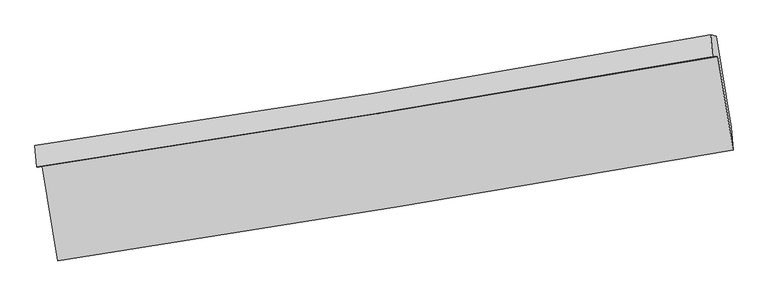
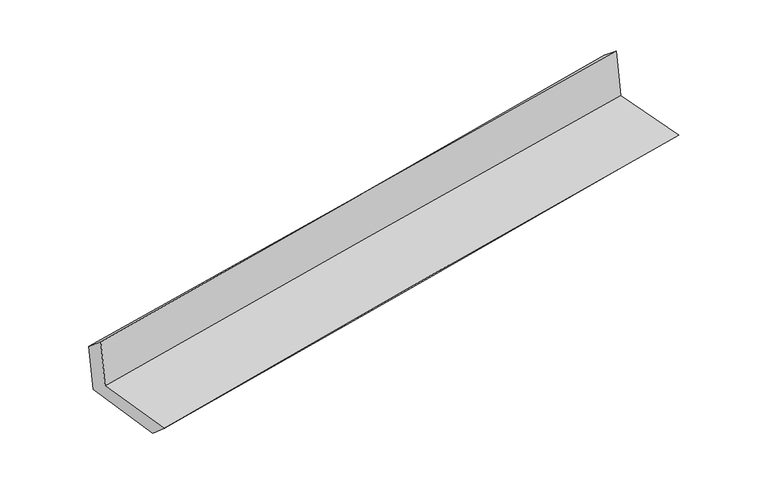
"""IFC4 building model written with IfcOpenShell, lengths in millimetres: proxy geometry."""

from ifc_helpers import new_model, si_unit, frame, origin, place, context, project, spatial, source, transform, mapped, element, save
from ifc_brep_helpers import plane_surface, spline_curve, spline_surface, advanced_brep


def generic_models_d81ad6ef(model_context):
    return source(origin(), model_context, "Body", "AdvancedBrep", [
        advanced_brep(
        [(-2368.593412, -1883.4839037, 1676.1073425), (-2260.0018265, -2539.2136418, 1665.6086122), (2417.6245771, -1768.5698692, 2112.8336546), (2312.3863151, -1121.2670091, 2103.283223), (-2405.3454421, -1888.0805792, 2075.69591), (2275.1768227, -1123.0356443, 2502.8165564), (-2418.1667298, -1739.6408341, 1952.7726177), (2261.825484, -970.5403011, 2378.6668034), (-2381.4711703, -1741.1699, 1564.4954264), (2299.3038813, -979.4098389, 1994.8526819), (-2272.1538036, -2394.8986727, 1542.7659777), (2405.6315353, -1611.7963975, 1966.7384835)],
        [
            (0, 1),
            (1, 2, spline_curve(3, [(-2260.0018265, -2539.2136418, 1665.6086122), (-1477.191655284, -2418.015205899, 1754.851728744), (-694.349692869, -2292.910067194, 1836.868141343), (864.859637298, -2035.96382842, 1985.822951896), (1641.226476051, -1904.187709537, 2052.881553387), (2417.6245771, -1768.5698692, 2112.8336546)], [4, 2, 4], [0.0, 7.844416099933582, 15.623319484503671])),
            (2, 3),
            (3, 0, spline_curve(3, [(2312.3863151, -1121.2670091, 2103.283223), (1535.657958893, -1255.521671296, 2044.310484945), (758.848195389, -1385.916979945, 1979.400399252), (-801.477003292, -1640.05455781, 1837.108867278), (-1584.993815617, -1763.731546946, 1759.626992636), (-2368.593412, -1883.4839037, 1676.1073425)], [4, 2, 4], [0.0, 7.778903384570089, 15.623319484503671])),
            (4, 0),
            (3, 5),
            (5, 4, spline_curve(3, [(2275.1768227, -1123.0356443, 2502.8165564), (1498.480567838, -1258.902200158, 2446.315894164), (721.724724845, -1390.340533413, 2382.651594004), (-838.448355475, -1645.430413196, 2240.399215306), (-1621.866601016, -1769.007058626, 2161.689966686), (-2405.3454421, -1888.0805792, 2075.69591)], [4, 2, 4], [0.0, 7.779020021870473, 15.623553741405654])),
            (6, 4),
            (5, 7),
            (7, 6, spline_curve(3, [(2261.825484, -970.5403011, 2378.6668034), (1487.196040662, -1111.650727079, 2309.273611078), (711.521738228, -1246.057127961, 2239.237364562), (-848.457993095, -1502.537368399, 2097.283512952), (-1632.781095213, -1624.497811987, 2025.355031027), (-2418.1667298, -1739.6408341, 1952.7726177)], [4, 2, 4], [0.0, 7.778952269350278, 15.62341766576407])),
            (8, 6),
            (7, 9),
            (9, 8, spline_curve(3, [(2299.3038813, -979.4098389, 1994.8526819), (1524.893121399, -1116.880683325, 1916.774882835), (749.263928727, -1248.85307555, 1842.009314569), (-810.973812498, -1502.866100321, 1698.50087113), (-1595.602970362, -1624.81372814, 1629.814020824), (-2381.4711703, -1741.1699, 1564.4954264)], [4, 2, 4], [0.0, 7.778921714555128, 15.623356298846033])),
            (10, 8),
            (9, 11),
            (11, 10, spline_curve(3, [(2405.6315353, -1611.7963975, 1966.7384835), (1630.861095371, -1753.150658766, 1899.431606458), (855.2983661, -1888.83653537, 1830.601691501), (-703.950012411, -2149.966505538, 1689.303284665), (-1487.649062747, -2275.314721, 1616.809030859), (-2272.1538036, -2394.8986727, 1542.7659777)], [4, 2, 4], [0.0, 7.778810339784726, 15.623132611324221])),
            (1, 10),
            (11, 2),
        ],
        [
            spline_surface(3, 3, [[(-2368.593412, -1883.4839037, 1676.1073425), (-1584.993815486, -1763.731547071, 1759.626992606), (-801.477003314, -1640.054557716, 1837.108867154), (758.848195411, -1385.916980038, 1979.400399375), (1535.657958938, -1255.521671189, 2044.310484971), (2312.3863151, -1121.2670091, 2103.283223)], [(-2332.396216842, -2102.060483075, 1672.607765758), (-1549.059762087, -1981.826099992, 1758.035238015), (-765.767899784, -1857.673060864, 1837.028625227), (794.185342695, -1602.59926282, 1981.541250168), (1570.847464589, -1471.743683966, 2047.167507744), (2347.465735752, -1337.034629141, 2106.466700189)], [(-2296.199021658, -2320.637062425, 1669.108188942), (-1513.125708662, -2199.920652888, 1756.44348335), (-730.058796309, -2075.291564047, 1836.948383357), (829.522489924, -1819.281545637, 1983.682101018), (1606.036970285, -1687.965696721, 2050.024530551), (2382.545156448, -1552.802249159, 2109.650177411)], [(-2260.0018265, -2539.2136418, 1665.6086122), (-1477.191655263, -2418.01520581, 1754.851728759), (-694.349692779, -2292.910067195, 1836.868141429), (864.859637208, -2035.963828419, 1985.822951811), (1641.226475936, -1904.187709498, 2052.881553324), (2417.6245771, -1768.5698692, 2112.8336546)]], [4, 4], [4, 2, 4], [0.0, 2.1657802926878276], [0.0, 7.844416099933582, 15.623319484503671]),
            spline_surface(3, 3, [[(-2405.3454421, -1888.0805792, 2075.69591), (-1621.866600907, -1769.007058514, 2161.689966785), (-838.448355485, -1645.430413288, 2240.399215353), (721.724724854, -1390.340533322, 2382.651593958), (1498.480567741, -1258.902200197, 2446.315894196), (2275.1768227, -1123.0356443, 2502.8165564)], [(-2393.094765397, -1886.548354034, 1942.499720816), (-1609.575672431, -1767.2485547, 2027.668975375), (-826.124571434, -1643.638461446, 2105.969099312), (734.099215034, -1388.866015576, 2248.234529123), (1510.873031498, -1257.775357172, 2312.314091117), (2287.579986858, -1122.446099211, 2369.638778597)], [(-2380.844088703, -1885.016128866, 1809.303531684), (-1597.284743962, -1765.490050884, 1893.647984015), (-813.800787365, -1641.846509558, 1971.538983195), (746.473705231, -1387.391497784, 2113.81746421), (1523.265495181, -1256.648514215, 2178.312288049), (2299.983150942, -1121.856554189, 2236.461000803)], [(-2368.593412, -1883.4839037, 1676.1073425), (-1584.993815486, -1763.731547071, 1759.626992605), (-801.477003314, -1640.054557716, 1837.108867154), (758.848195411, -1385.916980038, 1979.400399375), (1535.657958938, -1255.521671189, 2044.310484971), (2312.3863151, -1121.2670091, 2103.283223)]], [4, 4], [4, 2, 4], [0.0, 1.328735718592723], [0.0, 7.844533719535182, 15.623553741405654]),
            spline_surface(3, 3, [[(-2418.1667298, -1739.6408341, 1952.7726177), (-1632.781095119, -1624.49781189, 2025.355030957), (-848.457993042, -1502.537368353, 2097.283512993), (711.521738175, -1246.057128006, 2239.237364521), (1487.19604068, -1111.650727199, 2309.273611098), (2261.825484, -970.5403011, 2378.6668034)], [(-2413.892967216, -1789.120749121, 1993.747048459), (-1629.142930364, -1672.667560752, 2070.800009558), (-845.121447211, -1550.168383347, 2144.988747089), (714.922733714, -1294.15159646, 2287.042107643), (1490.957549688, -1160.73455154, 2354.954372143), (2266.275930221, -1021.372082175, 2420.050054413)], [(-2409.619204684, -1838.600664179, 2034.721479241), (-1625.504765662, -1720.837309651, 2116.244988183), (-841.784901316, -1597.799398294, 2192.693981257), (718.323729316, -1342.246064867, 2334.846850836), (1494.719058733, -1209.818375856, 2400.63513315), (2270.726376479, -1072.203863225, 2461.433305387)], [(-2405.3454421, -1888.0805792, 2075.69591), (-1621.866600907, -1769.007058514, 2161.689966785), (-838.448355485, -1645.430413288, 2240.399215353), (721.724724854, -1390.340533322, 2382.651593958), (1498.480567741, -1258.902200197, 2446.315894196), (2275.1768227, -1123.0356443, 2502.8165564)]], [4, 4], [4, 2, 4], [0.0, 0.6662807778665012], [0.0, 7.844465396413791, 15.62341766576407]),
            spline_surface(3, 3, [[(-2381.4711703, -1741.1699, 1564.4954264), (-1595.602970302, -1624.813728178, 1629.814020744), (-810.9738125, -1502.866100229, 1698.500871052), (749.263928729, -1248.853075641, 1842.009314645), (1524.893121419, -1116.880683251, 1916.774882881), (2299.3038813, -979.4098389, 1994.8526819)], [(-2393.703023468, -1740.660211353, 1693.921156835), (-1607.995678576, -1624.708422735, 1761.66102415), (-823.468539319, -1502.756522934, 1831.428418371), (736.683198572, -1247.921093093, 1974.418664609), (1512.327427827, -1115.137364572, 2047.607792287), (2286.811082187, -976.453326305, 2122.790722401)], [(-2405.934876632, -1740.150522747, 1823.346887265), (-1620.388386846, -1624.603117333, 1893.50802755), (-835.963266222, -1502.646945648, 1964.355965675), (724.102468332, -1246.989110554, 2106.828014557), (1499.761734273, -1113.394045878, 2178.440701692), (2274.318283113, -973.496813695, 2250.728762899)], [(-2418.1667298, -1739.6408341, 1952.7726177), (-1632.781095119, -1624.49781189, 2025.355030957), (-848.457993042, -1502.537368353, 2097.283512993), (711.521738175, -1246.057128006, 2239.237364521), (1487.19604068, -1111.650727199, 2309.273611098), (2261.825484, -970.5403011, 2378.6668034)]], [4, 4], [4, 2, 4], [0.0, 1.3116400529829721], [0.0, 7.844434584290905, 15.623356298846033]),
            spline_surface(3, 3, [[(-2272.1538036, -2394.8986727, 1542.7659777), (-1487.64906273, -2275.31472087, 1616.809030824), (-703.950012332, -2149.9665056, 1689.303284584), (855.298366021, -1888.836535308, 1830.601691583), (1630.861095279, -1753.150658847, 1899.431606424), (2405.6315353, -1611.7963975, 1966.7384835)], [(-2308.592925847, -2176.989081805, 1550.009127271), (-1523.633698602, -2058.481056644, 1621.144027469), (-739.624612387, -1934.266370454, 1692.369146753), (819.953553591, -1675.508715397, 1834.404232617), (1595.538437343, -1541.060666973, 1905.212698559), (2370.188983984, -1401.000877959, 1976.10988295)], [(-2345.032048053, -1959.079490895, 1557.252276829), (-1559.618334431, -1841.647392404, 1625.479024099), (-775.299212444, -1718.566235375, 1695.435008883), (784.608741159, -1462.180895553, 1838.206773611), (1560.215779355, -1328.970675124, 1910.993790745), (2334.746432616, -1190.205358441, 1985.48128245)], [(-2381.4711703, -1741.1699, 1564.4954264), (-1595.602970302, -1624.813728178, 1629.814020744), (-810.9738125, -1502.866100229, 1698.500871052), (749.263928729, -1248.853075641, 1842.009314645), (1524.893121419, -1116.880683251, 1916.774882881), (2299.3038813, -979.4098389, 1994.8526819)]], [4, 4], [4, 2, 4], [0.0, 2.140455549114156], [0.0, 7.844322271539496, 15.623132611324221]),
            spline_surface(3, 3, [[(-2260.0018265, -2539.2136418, 1665.6086122), (-1477.191655263, -2418.01520581, 1754.851728759), (-694.349692779, -2292.910067195, 1836.868141429), (864.859637208, -2035.963828419, 1985.822951811), (1641.226475936, -1904.187709498, 2052.881553324), (2417.6245771, -1768.5698692, 2112.8336546)], [(-2264.052485529, -2491.108652112, 1624.66106736), (-1480.677457748, -2370.448377508, 1708.837496108), (-697.549799316, -2245.262213336, 1787.679855812), (861.672546793, -1986.921397388, 1934.082531733), (1637.771349048, -1853.842025958, 2001.731571042), (2413.626896498, -1716.31204531, 2064.135264251)], [(-2268.103144571, -2443.003662388, 1583.71352254), (-1484.163260245, -2322.881549171, 1662.823263476), (-700.749905794, -2197.614359458, 1738.4915702), (858.485456437, -1937.878966339, 1882.34211166), (1634.316222166, -1803.496342387, 1950.581588706), (2409.629215902, -1664.05422139, 2015.436873849)], [(-2272.1538036, -2394.8986727, 1542.7659777), (-1487.64906273, -2275.31472087, 1616.809030824), (-703.950012332, -2149.9665056, 1689.303284584), (855.298366021, -1888.836535308, 1830.601691583), (1630.861095279, -1753.150658847, 1899.431606424), (2405.6315353, -1611.7963975, 1966.7384835)]], [4, 4], [4, 2, 4], [0.0, 0.6884454481571814], [0.0, 7.844276088432198, 15.623040630808285]),
            plane_surface(frame((2328.6581026, -1262.43651, 2176.5319005), z_axis=(0.9826171336681382, 0.16111426418465158, 0.092226690811558), x_axis=(-0.09715933602541384, 0.022993469926625355, 0.9950031978661346))),
            plane_surface(frame((-2350.9553974, -2031.0812552, 1746.2409811), z_axis=(-0.9825954490121396, -0.16124526060941471, -0.09222878895244), x_axis=(-0.16335864097653877, 0.9864403250085648, 0.015793657438832733))),
        ],
        [
            (0, [[1, 2, 3, 4]]),
            (1, [[5, -4, 6, 7]]),
            (2, [[8, -7, 9, 10]]),
            (3, [[11, -10, 12, 13]]),
            (4, [[14, -13, 15, 16]]),
            (5, [[17, -16, 18, -2]]),
            (6, [[-12, -9, -6, -3, -18, -15]]),
            (7, [[-1, -5, -8, -11, -14, -17]]),
        ],
    ),
    ])


if __name__ == "__main__":
    model = new_model("IFC4")
    model_context = context("Model", 3, world=origin())
    ifc_project = project(units=[si_unit("LENGTHUNIT", "METRE", prefix="MILLI")], contexts=[model_context])
    site = spatial("IfcSite", under=ifc_project)
    building = spatial("IfcBuilding", under=site)
    placement = place(None, origin())
    generic_models_shape = generic_models_d81ad6ef(model_context)
    element("IfcBuildingElementProxy", 1, Name="Generic Models", at=placement, inside=building, context=model_context, shape_type="MappedRepresentation", body=[
        mapped(generic_models_shape, transform((0.0, 0.0, 0.0), x_axis=(1.0, 0.0, 0.0), y_axis=(0.0, 1.0, 0.0), z_axis=(0.0, 0.0, 1.0))),
    ])
    save(model, "model.ifc")
